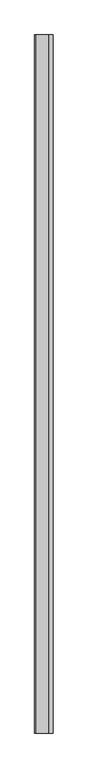
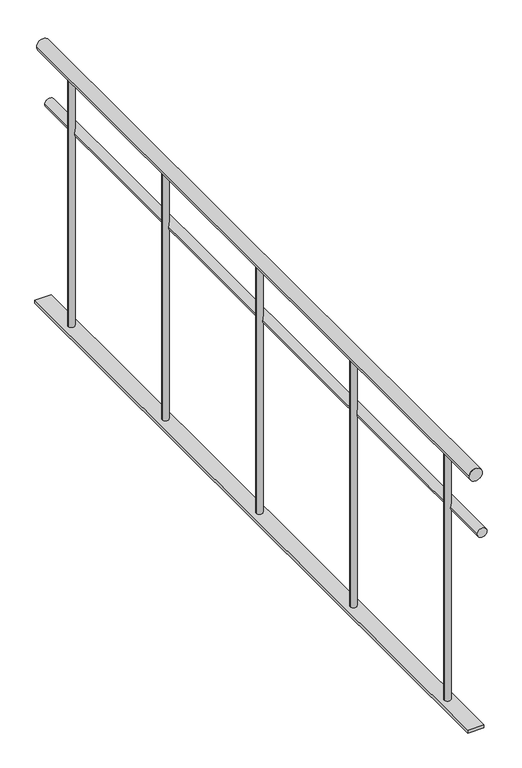
"""IFC4 building model written with IfcOpenShell, lengths in millimetres: railing geometry."""

from ifc_helpers import new_model, si_unit, point, frame, frame_2d, origin, place, context, project, spatial, polyline, circle_curve, trimmed, segment, composite_curve, outline, extrude, source, transform, mapped, element, save


def railing_b3286bef(model_context):
    return source(origin(), model_context, "Body", "SweptSolid", [
        extrude(outline(composite_curve([segment(trimmed(circle_curve(frame_2d((880.0, 7860.0112841)), 20.0), [point((880.0, 7840.0112841))], [point((880.0, 7880.0112841))], False, "CARTESIAN"), True, "CONTINUOUS"), segment(trimmed(circle_curve(frame_2d((880.0, 7860.0112841)), 20.0), [point((880.0, 7880.0112841))], [point((880.0, 7840.0112841))], False, "CARTESIAN"), True, "CONTINUOUS")], self_intersect=False)), frame((0.0, -17316.8920513, 0.0), z_axis=(0.0, 1.0, 0.0), x_axis=(0.0, 0.0, 1.0)), (0.0, 0.0, 1.0), 2300.0),
        extrude(outline(composite_curve([segment(trimmed(circle_curve(frame_2d((685.0, 7880.0112841)), 15.0), [point((685.0, 7865.0112841))], [point((685.0, 7895.0112841))], False, "CARTESIAN"), True, "CONTINUOUS"), segment(trimmed(circle_curve(frame_2d((685.0, 7880.0112841)), 15.0), [point((685.0, 7895.0112841))], [point((685.0, 7865.0112841))], False, "CARTESIAN"), True, "CONTINUOUS")], self_intersect=False)), frame((0.0, -17316.8920513, 0.0), z_axis=(0.0, 1.0, 0.0), x_axis=(0.0, 0.0, 1.0)), (0.0, 0.0, 1.0), 2300.0),
        extrude(outline(polyline([(7885.0112841, -17316.8920513), (7835.0112841, -17316.8920513), (7835.0112841, -15016.8920513), (7885.0112841, -15016.8920513), (7885.0112841, -17316.8920513)])), frame((0.0, 0.0, 50.0), z_axis=(0.0, 0.0, 1.0), x_axis=(1.0, 0.0, 0.0)), (0.0, 0.0, 1.0), 10.0),
        extrude(outline(composite_curve([segment(trimmed(circle_curve(frame_2d((7860.0112841, -15166.8920513)), 10.0), [point((7850.0112841, -15166.8920513))], [point((7870.0112841, -15166.8920513))], False, "CARTESIAN"), True, "CONTINUOUS"), segment(trimmed(circle_curve(frame_2d((7860.0112841, -15166.8920513)), 10.0), [point((7870.0112841, -15166.8920513))], [point((7850.0112841, -15166.8920513))], False, "CARTESIAN"), True, "CONTINUOUS")], self_intersect=False)), frame((0.0, 0.0, 60.0), z_axis=(0.0, 0.0, 1.0), x_axis=(1.0, 0.0, 0.0)), (0.0, 0.0, 1.0), 800.0),
        extrude(outline(composite_curve([segment(trimmed(circle_curve(frame_2d((7860.0112841, -15666.8920513)), 10.0), [point((7850.0112841, -15666.8920513))], [point((7870.0112841, -15666.8920513))], False, "CARTESIAN"), True, "CONTINUOUS"), segment(trimmed(circle_curve(frame_2d((7860.0112841, -15666.8920513)), 10.0), [point((7870.0112841, -15666.8920513))], [point((7850.0112841, -15666.8920513))], False, "CARTESIAN"), True, "CONTINUOUS")], self_intersect=False)), frame((0.0, 0.0, 60.0), z_axis=(0.0, 0.0, 1.0), x_axis=(1.0, 0.0, 0.0)), (0.0, 0.0, 1.0), 800.0),
        extrude(outline(composite_curve([segment(trimmed(circle_curve(frame_2d((7860.0112841, -16166.8920513)), 10.0), [point((7850.0112841, -16166.8920513))], [point((7870.0112841, -16166.8920513))], False, "CARTESIAN"), True, "CONTINUOUS"), segment(trimmed(circle_curve(frame_2d((7860.0112841, -16166.8920513)), 10.0), [point((7870.0112841, -16166.8920513))], [point((7850.0112841, -16166.8920513))], False, "CARTESIAN"), True, "CONTINUOUS")], self_intersect=False)), frame((0.0, 0.0, 60.0), z_axis=(0.0, 0.0, 1.0), x_axis=(1.0, 0.0, 0.0)), (0.0, 0.0, 1.0), 800.0),
        extrude(outline(composite_curve([segment(trimmed(circle_curve(frame_2d((7860.0112841, -16666.8920513)), 10.0), [point((7850.0112841, -16666.8920513))], [point((7870.0112841, -16666.8920513))], False, "CARTESIAN"), True, "CONTINUOUS"), segment(trimmed(circle_curve(frame_2d((7860.0112841, -16666.8920513)), 10.0), [point((7870.0112841, -16666.8920513))], [point((7850.0112841, -16666.8920513))], False, "CARTESIAN"), True, "CONTINUOUS")], self_intersect=False)), frame((0.0, 0.0, 60.0), z_axis=(0.0, 0.0, 1.0), x_axis=(1.0, 0.0, 0.0)), (0.0, 0.0, 1.0), 800.0),
        extrude(outline(composite_curve([segment(trimmed(circle_curve(frame_2d((7860.0112841, -17166.8920513)), 10.0), [point((7850.0112841, -17166.8920513))], [point((7870.0112841, -17166.8920513))], False, "CARTESIAN"), True, "CONTINUOUS"), segment(trimmed(circle_curve(frame_2d((7860.0112841, -17166.8920513)), 10.0), [point((7870.0112841, -17166.8920513))], [point((7850.0112841, -17166.8920513))], False, "CARTESIAN"), True, "CONTINUOUS")], self_intersect=False)), frame((0.0, 0.0, 60.0), z_axis=(0.0, 0.0, 1.0), x_axis=(1.0, 0.0, 0.0)), (0.0, 0.0, 1.0), 800.0),
    ])


if __name__ == "__main__":
    model = new_model("IFC4")
    model_context = context("Model", 3, world=origin())
    ifc_project = project(units=[si_unit("LENGTHUNIT", "METRE", prefix="MILLI")], contexts=[model_context])
    site = spatial("IfcSite", under=ifc_project)
    building = spatial("IfcBuilding", under=site)
    placement = place(None, origin())
    railing_shape = railing_b3286bef(model_context)
    element("IfcRailing", 1, at=placement, inside=building, context=model_context, shape_type="MappedRepresentation", body=[
        mapped(railing_shape, transform((0.0, 0.0, 0.0), x_axis=(1.0, 0.0, 0.0), y_axis=(0.0, 1.0, 0.0), z_axis=(0.0, 0.0, 1.0))),
    ])
    save(model, "model.ifc")
